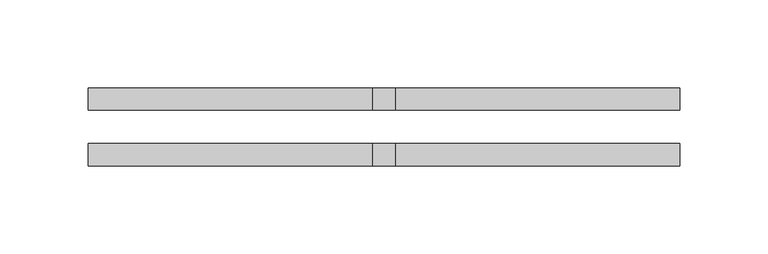
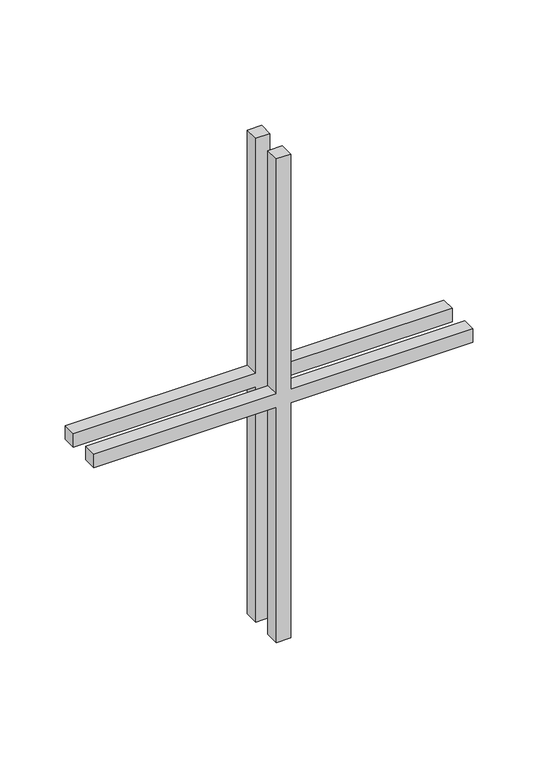
"""IFC4 building model written with IfcOpenShell, lengths in millimetres: proxy geometry."""

from ifc_helpers import new_model, si_unit, frame, origin, place, context, project, spatial, polyline, outline, extrude, source, transform, mapped, element, save


def generic_models_b2fb6d9d(model_context):
    return source(origin(), model_context, "Body", "SweptSolid", [
        extrude(outline(polyline([(233.325, -6.35), (233.325, -168.15), (220.625, -168.15), (220.625, -6.35), (0.0, -6.35), (0.0, 6.35), (220.625, 6.35), (220.625, 168.15), (233.325, 168.15), (233.325, 6.35), (453.95, 6.35), (453.95, -6.35), (233.325, -6.35)])), frame((0.0, 9.525, 0.0), z_axis=(0.0, 1.0, 0.0), x_axis=(0.0, 0.0, 1.0)), (0.0, 0.0, 1.0), 12.7),
        extrude(outline(polyline([(233.325, -6.35), (233.325, -168.15), (220.625, -168.15), (220.625, -6.35), (0.0, -6.35), (0.0, 6.35), (220.625, 6.35), (220.625, 168.15), (233.325, 168.15), (233.325, 6.35), (453.95, 6.35), (453.95, -6.35), (233.325, -6.35)])), frame((0.0, -22.225, 0.0), z_axis=(0.0, 1.0, 0.0), x_axis=(0.0, 0.0, 1.0)), (0.0, 0.0, 1.0), 12.7),
    ])


if __name__ == "__main__":
    model = new_model("IFC4")
    model_context = context("Model", 3, world=origin())
    ifc_project = project(units=[si_unit("LENGTHUNIT", "METRE", prefix="MILLI")], contexts=[model_context])
    site = spatial("IfcSite", under=ifc_project)
    building = spatial("IfcBuilding", under=site)
    placement = place(None, origin())
    generic_models_shape = generic_models_b2fb6d9d(model_context)
    element("IfcBuildingElementProxy", 1, Name="Generic Models", at=placement, inside=building, context=model_context, shape_type="MappedRepresentation", body=[
        mapped(generic_models_shape, transform((0.0, 0.0, 0.0), x_axis=(1.0, 0.0, 0.0), y_axis=(0.0, 1.0, 0.0), z_axis=(0.0, 0.0, 1.0))),
    ])
    save(model, "model.ifc")
